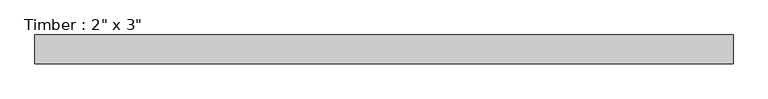
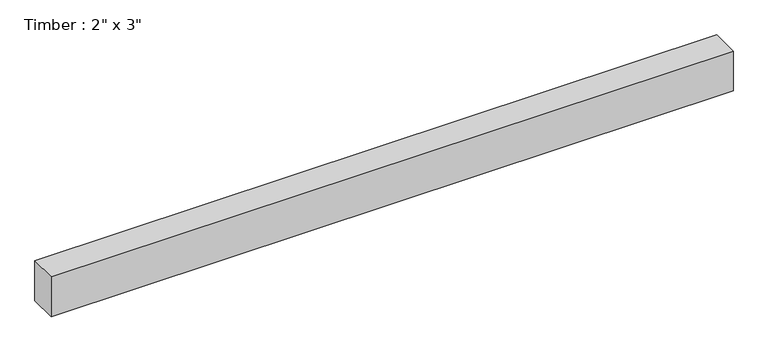
"""IFC4 building model written with IfcOpenShell, lengths in millimetres: beam geometry."""

from ifc_helpers import new_model, si_unit, frame, origin, place, context, project, spatial, polyline, outline, extrude, source, transform, mapped, element, save


def beam_2427bb54(model_context):
    return source(origin(), model_context, "Body", "SweptSolid", [
        extrude(outline(polyline([(615.95, 25.4), (615.95, -25.4), (-615.95, -25.4), (-615.95, 25.4), (615.95, 25.4)])), frame((0.0, 0.0, -38.1), z_axis=(0.0, 0.0, 1.0), x_axis=(1.0, 0.0, 0.0)), (0.0, 0.0, 1.0), 76.2),
    ])


if __name__ == "__main__":
    model = new_model("IFC4")
    model_context = context("Model", 3, world=origin())
    ifc_project = project(units=[si_unit("LENGTHUNIT", "METRE", prefix="MILLI")], contexts=[model_context])
    site = spatial("IfcSite", under=ifc_project)
    building = spatial("IfcBuilding", under=site)
    placement = place(None, origin())
    beam_shape = beam_2427bb54(model_context)
    element("IfcBeam", 1, ObjectType="Timber : 2\" x 3\"", at=placement, inside=building, context=model_context, shape_type="MappedRepresentation", body=[
        mapped(beam_shape, transform((0.0, 0.0, 0.0), x_axis=(1.0, 0.0, 0.0), y_axis=(0.0, 1.0, 0.0), z_axis=(0.0, 0.0, 1.0))),
    ])
    save(model, "model.ifc")
